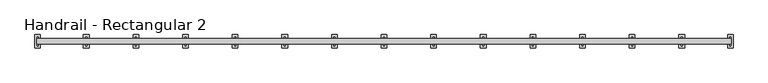
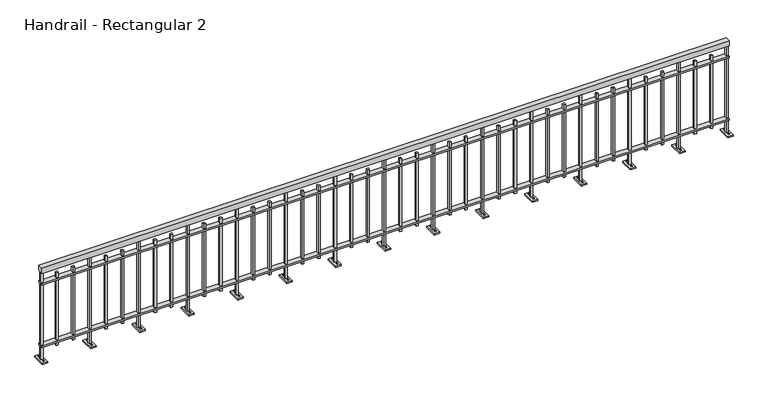
"""IFC4 building model written with IfcOpenShell, lengths in millimetres: railing geometry, Handrail - Rectangular 2."""

from ifc_helpers import new_model, si_unit, frame, origin, place, context, project, spatial, polyline, outline, extrude, faceted_brep, source, transform, mapped, element, save


def handrail_rectangular_2_60fde7db(model_context):
    return source(origin(), model_context, "Body", "SolidModel", [
        extrude(outline(polyline([(-7686.6907064, -3878.2727368), (-7686.6907064, -3827.4727368), (-1336.6907064, -3827.4727368), (-1336.6907064, -3878.2727368), (-7686.6907064, -3878.2727368)])), frame((0.0, 0.0, 863.6), z_axis=(0.0, 0.0, 1.0), x_axis=(1.0, 0.0, 0.0)), (0.0, 0.0, 1.0), 50.8),
        extrude(outline(polyline([(-7686.6907064, -3878.2727368), (-7686.6907064, -3827.4727368), (-1336.6907064, -3827.4727368), (-1336.6907064, -3878.2727368), (-7686.6907064, -3878.2727368)])), frame((0.0, 0.0, 749.3), z_axis=(0.0, 0.0, 1.0), x_axis=(1.0, 0.0, 0.0)), (0.0, 0.0, 1.0), 12.7),
        extrude(outline(polyline([(-7686.6907064, -3878.2727368), (-7686.6907064, -3827.4727368), (-1336.6907064, -3827.4727368), (-1336.6907064, -3878.2727368), (-7686.6907064, -3878.2727368)])), frame((0.0, 0.0, 139.7), z_axis=(0.0, 0.0, 1.0), x_axis=(1.0, 0.0, 0.0)), (0.0, 0.0, 1.0), 12.7),
        extrude(outline(polyline([(-1497.4061826, -3862.3977368), (-1497.4061826, -3843.3477368), (-1478.3561826, -3843.3477368), (-1478.3561826, -3862.3977368), (-1497.4061826, -3862.3977368)])), frame((0.0, 0.0, 101.6), z_axis=(0.0, 0.0, 1.0), x_axis=(1.0, 0.0, 0.0)), (0.0, 0.0, 1.0), 711.2),
        extrude(outline(polyline([(-1648.5966588, -3862.3977368), (-1648.5966588, -3843.3477368), (-1629.5466588, -3843.3477368), (-1629.5466588, -3862.3977368), (-1648.5966588, -3862.3977368)])), frame((0.0, 0.0, 101.6), z_axis=(0.0, 0.0, 1.0), x_axis=(1.0, 0.0, 0.0)), (0.0, 0.0, 1.0), 711.2),
        faceted_brep([(-1815.662135, -3792.5477368, 0.0), (-1764.862135, -3792.5477368, 0.0), (-1764.862135, -3913.1977368, 0.0), (-1815.662135, -3913.1977368, 0.0), (-1799.787135, -3862.3977368, 863.6), (-1799.787135, -3843.3477368, 863.6), (-1799.787135, -3843.3477368, 12.7), (-1799.787135, -3862.3977368, 12.7), (-1780.737135, -3862.3977368, 863.6), (-1780.737135, -3862.3977368, 12.7), (-1780.737135, -3843.3477368, 863.6), (-1780.737135, -3843.3477368, 12.7), (-1815.662135, -3792.5477368, 12.7), (-1815.662135, -3913.1977368, 12.7), (-1764.862135, -3913.1977368, 12.7), (-1764.862135, -3792.5477368, 12.7)], [[[0, 1, 2, 3]], [[4, 5, 6, 7]], [[8, 4, 7, 9]], [[10, 8, 9, 11]], [[5, 10, 11, 6]], [[5, 4, 8, 10]], [[12, 13, 14, 15], [7, 6, 11, 9]], [[13, 12, 0, 3]], [[14, 13, 3, 2]], [[15, 14, 2, 1]], [[12, 15, 1, 0]]]),
        extrude(outline(polyline([(-1797.5944834, -3887.7977368), (-1793.9283092, -3881.4477368), (-1786.5959608, -3881.4477368), (-1782.9297865, -3887.7977368), (-1786.5959608, -3894.1477368), (-1793.9283092, -3894.1477368), (-1797.5944834, -3887.7977368)])), frame((0.0, 0.0, 12.7), z_axis=(0.0, 0.0, 1.0), x_axis=(1.0, 0.0, 0.0)), (0.0, 0.0, 1.0), 6.35),
        extrude(outline(polyline([(-1797.5944834, -3817.9477368), (-1793.9283092, -3811.5977368), (-1786.5959608, -3811.5977368), (-1782.9297865, -3817.9477368), (-1786.5959608, -3824.2977368), (-1793.9283092, -3824.2977368), (-1797.5944834, -3817.9477368)])), frame((0.0, 0.0, 12.7), z_axis=(0.0, 0.0, 1.0), x_axis=(1.0, 0.0, 0.0)), (0.0, 0.0, 1.0), 6.35),
        extrude(outline(polyline([(-1950.9776112, -3862.3977368), (-1950.9776112, -3843.3477368), (-1931.9276112, -3843.3477368), (-1931.9276112, -3862.3977368), (-1950.9776112, -3862.3977368)])), frame((0.0, 0.0, 101.6), z_axis=(0.0, 0.0, 1.0), x_axis=(1.0, 0.0, 0.0)), (0.0, 0.0, 1.0), 711.2),
        extrude(outline(polyline([(-2102.1680873, -3862.3977368), (-2102.1680873, -3843.3477368), (-2083.1180873, -3843.3477368), (-2083.1180873, -3862.3977368), (-2102.1680873, -3862.3977368)])), frame((0.0, 0.0, 101.6), z_axis=(0.0, 0.0, 1.0), x_axis=(1.0, 0.0, 0.0)), (0.0, 0.0, 1.0), 711.2),
        faceted_brep([(-2269.2335635, -3792.5477368, 0.0), (-2218.4335635, -3792.5477368, 0.0), (-2218.4335635, -3913.1977368, 0.0), (-2269.2335635, -3913.1977368, 0.0), (-2253.3585635, -3862.3977368, 863.6), (-2253.3585635, -3843.3477368, 863.6), (-2253.3585635, -3843.3477368, 12.7), (-2253.3585635, -3862.3977368, 12.7), (-2234.3085635, -3862.3977368, 863.6), (-2234.3085635, -3862.3977368, 12.7), (-2234.3085635, -3843.3477368, 863.6), (-2234.3085635, -3843.3477368, 12.7), (-2269.2335635, -3792.5477368, 12.7), (-2269.2335635, -3913.1977368, 12.7), (-2218.4335635, -3913.1977368, 12.7), (-2218.4335635, -3792.5477368, 12.7)], [[[0, 1, 2, 3]], [[4, 5, 6, 7]], [[8, 4, 7, 9]], [[10, 8, 9, 11]], [[5, 10, 11, 6]], [[5, 4, 8, 10]], [[12, 13, 14, 15], [7, 6, 11, 9]], [[13, 12, 0, 3]], [[14, 13, 3, 2]], [[15, 14, 2, 1]], [[12, 15, 1, 0]]]),
        extrude(outline(polyline([(-2251.165912, -3887.7977368), (-2247.4997377, -3881.4477368), (-2240.1673893, -3881.4477368), (-2236.5012151, -3887.7977368), (-2240.1673893, -3894.1477368), (-2247.4997377, -3894.1477368), (-2251.165912, -3887.7977368)])), frame((0.0, 0.0, 12.7), z_axis=(0.0, 0.0, 1.0), x_axis=(1.0, 0.0, 0.0)), (0.0, 0.0, 1.0), 6.35),
        extrude(outline(polyline([(-2251.165912, -3817.9477368), (-2247.4997377, -3811.5977368), (-2240.1673893, -3811.5977368), (-2236.5012151, -3817.9477368), (-2240.1673893, -3824.2977368), (-2247.4997377, -3824.2977368), (-2251.165912, -3817.9477368)])), frame((0.0, 0.0, 12.7), z_axis=(0.0, 0.0, 1.0), x_axis=(1.0, 0.0, 0.0)), (0.0, 0.0, 1.0), 6.35),
        extrude(outline(polyline([(-2404.5490397, -3862.3977368), (-2404.5490397, -3843.3477368), (-2385.4990397, -3843.3477368), (-2385.4990397, -3862.3977368), (-2404.5490397, -3862.3977368)])), frame((0.0, 0.0, 101.6), z_axis=(0.0, 0.0, 1.0), x_axis=(1.0, 0.0, 0.0)), (0.0, 0.0, 1.0), 711.2),
        extrude(outline(polyline([(-2555.7395159, -3862.3977368), (-2555.7395159, -3843.3477368), (-2536.6895159, -3843.3477368), (-2536.6895159, -3862.3977368), (-2555.7395159, -3862.3977368)])), frame((0.0, 0.0, 101.6), z_axis=(0.0, 0.0, 1.0), x_axis=(1.0, 0.0, 0.0)), (0.0, 0.0, 1.0), 711.2),
        faceted_brep([(-2722.8049921, -3792.5477368, 0.0), (-2672.0049921, -3792.5477368, 0.0), (-2672.0049921, -3913.1977368, 0.0), (-2722.8049921, -3913.1977368, 0.0), (-2706.9299921, -3862.3977368, 863.6), (-2706.9299921, -3843.3477368, 863.6), (-2706.9299921, -3843.3477368, 12.7), (-2706.9299921, -3862.3977368, 12.7), (-2687.8799921, -3862.3977368, 863.6), (-2687.8799921, -3862.3977368, 12.7), (-2687.8799921, -3843.3477368, 863.6), (-2687.8799921, -3843.3477368, 12.7), (-2722.8049921, -3792.5477368, 12.7), (-2722.8049921, -3913.1977368, 12.7), (-2672.0049921, -3913.1977368, 12.7), (-2672.0049921, -3792.5477368, 12.7)], [[[0, 1, 2, 3]], [[4, 5, 6, 7]], [[8, 4, 7, 9]], [[10, 8, 9, 11]], [[5, 10, 11, 6]], [[5, 4, 8, 10]], [[12, 13, 14, 15], [7, 6, 11, 9]], [[13, 12, 0, 3]], [[14, 13, 3, 2]], [[15, 14, 2, 1]], [[12, 15, 1, 0]]]),
        extrude(outline(polyline([(-2704.7373405, -3887.7977368), (-2701.0711663, -3881.4477368), (-2693.7388179, -3881.4477368), (-2690.0726437, -3887.7977368), (-2693.7388179, -3894.1477368), (-2701.0711663, -3894.1477368), (-2704.7373405, -3887.7977368)])), frame((0.0, 0.0, 12.7), z_axis=(0.0, 0.0, 1.0), x_axis=(1.0, 0.0, 0.0)), (0.0, 0.0, 1.0), 6.35),
        extrude(outline(polyline([(-2704.7373405, -3817.9477368), (-2701.0711663, -3811.5977368), (-2693.7388179, -3811.5977368), (-2690.0726437, -3817.9477368), (-2693.7388179, -3824.2977368), (-2701.0711663, -3824.2977368), (-2704.7373405, -3817.9477368)])), frame((0.0, 0.0, 12.7), z_axis=(0.0, 0.0, 1.0), x_axis=(1.0, 0.0, 0.0)), (0.0, 0.0, 1.0), 6.35),
        extrude(outline(polyline([(-2858.1204683, -3862.3977368), (-2858.1204683, -3843.3477368), (-2839.0704683, -3843.3477368), (-2839.0704683, -3862.3977368), (-2858.1204683, -3862.3977368)])), frame((0.0, 0.0, 101.6), z_axis=(0.0, 0.0, 1.0), x_axis=(1.0, 0.0, 0.0)), (0.0, 0.0, 1.0), 711.2),
        extrude(outline(polyline([(-3009.3109445, -3862.3977368), (-3009.3109445, -3843.3477368), (-2990.2609445, -3843.3477368), (-2990.2609445, -3862.3977368), (-3009.3109445, -3862.3977368)])), frame((0.0, 0.0, 101.6), z_axis=(0.0, 0.0, 1.0), x_axis=(1.0, 0.0, 0.0)), (0.0, 0.0, 1.0), 711.2),
        faceted_brep([(-3176.3764207, -3792.5477368, 0.0), (-3125.5764207, -3792.5477368, 0.0), (-3125.5764207, -3913.1977368, 0.0), (-3176.3764207, -3913.1977368, 0.0), (-3160.5014207, -3862.3977368, 863.6), (-3160.5014207, -3843.3477368, 863.6), (-3160.5014207, -3843.3477368, 12.7), (-3160.5014207, -3862.3977368, 12.7), (-3141.4514207, -3862.3977368, 863.6), (-3141.4514207, -3862.3977368, 12.7), (-3141.4514207, -3843.3477368, 863.6), (-3141.4514207, -3843.3477368, 12.7), (-3176.3764207, -3792.5477368, 12.7), (-3176.3764207, -3913.1977368, 12.7), (-3125.5764207, -3913.1977368, 12.7), (-3125.5764207, -3792.5477368, 12.7)], [[[0, 1, 2, 3]], [[4, 5, 6, 7]], [[8, 4, 7, 9]], [[10, 8, 9, 11]], [[5, 10, 11, 6]], [[5, 4, 8, 10]], [[12, 13, 14, 15], [7, 6, 11, 9]], [[13, 12, 0, 3]], [[14, 13, 3, 2]], [[15, 14, 2, 1]], [[12, 15, 1, 0]]]),
        extrude(outline(polyline([(-3158.3087691, -3887.7977368), (-3154.6425949, -3881.4477368), (-3147.3102465, -3881.4477368), (-3143.6440723, -3887.7977368), (-3147.3102465, -3894.1477368), (-3154.6425949, -3894.1477368), (-3158.3087691, -3887.7977368)])), frame((0.0, 0.0, 12.7), z_axis=(0.0, 0.0, 1.0), x_axis=(1.0, 0.0, 0.0)), (0.0, 0.0, 1.0), 6.35),
        extrude(outline(polyline([(-3158.3087691, -3817.9477368), (-3154.6425949, -3811.5977368), (-3147.3102465, -3811.5977368), (-3143.6440723, -3817.9477368), (-3147.3102465, -3824.2977368), (-3154.6425949, -3824.2977368), (-3158.3087691, -3817.9477368)])), frame((0.0, 0.0, 12.7), z_axis=(0.0, 0.0, 1.0), x_axis=(1.0, 0.0, 0.0)), (0.0, 0.0, 1.0), 6.35),
        extrude(outline(polyline([(-3311.6918969, -3862.3977368), (-3311.6918969, -3843.3477368), (-3292.6418969, -3843.3477368), (-3292.6418969, -3862.3977368), (-3311.6918969, -3862.3977368)])), frame((0.0, 0.0, 101.6), z_axis=(0.0, 0.0, 1.0), x_axis=(1.0, 0.0, 0.0)), (0.0, 0.0, 1.0), 711.2),
        extrude(outline(polyline([(-3462.8823731, -3862.3977368), (-3462.8823731, -3843.3477368), (-3443.8323731, -3843.3477368), (-3443.8323731, -3862.3977368), (-3462.8823731, -3862.3977368)])), frame((0.0, 0.0, 101.6), z_axis=(0.0, 0.0, 1.0), x_axis=(1.0, 0.0, 0.0)), (0.0, 0.0, 1.0), 711.2),
        faceted_brep([(-3629.9478493, -3792.5477368, 0.0), (-3579.1478493, -3792.5477368, 0.0), (-3579.1478493, -3913.1977368, 0.0), (-3629.9478493, -3913.1977368, 0.0), (-3614.0728493, -3862.3977368, 863.6), (-3614.0728493, -3843.3477368, 863.6), (-3614.0728493, -3843.3477368, 12.7), (-3614.0728493, -3862.3977368, 12.7), (-3595.0228493, -3862.3977368, 863.6), (-3595.0228493, -3862.3977368, 12.7), (-3595.0228493, -3843.3477368, 863.6), (-3595.0228493, -3843.3477368, 12.7), (-3629.9478493, -3792.5477368, 12.7), (-3629.9478493, -3913.1977368, 12.7), (-3579.1478493, -3913.1977368, 12.7), (-3579.1478493, -3792.5477368, 12.7)], [[[0, 1, 2, 3]], [[4, 5, 6, 7]], [[8, 4, 7, 9]], [[10, 8, 9, 11]], [[5, 10, 11, 6]], [[5, 4, 8, 10]], [[12, 13, 14, 15], [7, 6, 11, 9]], [[13, 12, 0, 3]], [[14, 13, 3, 2]], [[15, 14, 2, 1]], [[12, 15, 1, 0]]]),
        extrude(outline(polyline([(-3611.8801977, -3887.7977368), (-3608.2140235, -3881.4477368), (-3600.881675, -3881.4477368), (-3597.2155008, -3887.7977368), (-3600.881675, -3894.1477368), (-3608.2140235, -3894.1477368), (-3611.8801977, -3887.7977368)])), frame((0.0, 0.0, 12.7), z_axis=(0.0, 0.0, 1.0), x_axis=(1.0, 0.0, 0.0)), (0.0, 0.0, 1.0), 6.35),
        extrude(outline(polyline([(-3611.8801977, -3817.9477368), (-3608.2140235, -3811.5977368), (-3600.881675, -3811.5977368), (-3597.2155008, -3817.9477368), (-3600.881675, -3824.2977368), (-3608.2140235, -3824.2977368), (-3611.8801977, -3817.9477368)])), frame((0.0, 0.0, 12.7), z_axis=(0.0, 0.0, 1.0), x_axis=(1.0, 0.0, 0.0)), (0.0, 0.0, 1.0), 6.35),
        extrude(outline(polyline([(-3765.2633254, -3862.3977368), (-3765.2633254, -3843.3477368), (-3746.2133254, -3843.3477368), (-3746.2133254, -3862.3977368), (-3765.2633254, -3862.3977368)])), frame((0.0, 0.0, 101.6), z_axis=(0.0, 0.0, 1.0), x_axis=(1.0, 0.0, 0.0)), (0.0, 0.0, 1.0), 711.2),
        extrude(outline(polyline([(-3916.4538016, -3862.3977368), (-3916.4538016, -3843.3477368), (-3897.4038016, -3843.3477368), (-3897.4038016, -3862.3977368), (-3916.4538016, -3862.3977368)])), frame((0.0, 0.0, 101.6), z_axis=(0.0, 0.0, 1.0), x_axis=(1.0, 0.0, 0.0)), (0.0, 0.0, 1.0), 711.2),
        faceted_brep([(-4083.5192778, -3792.5477368, 0.0), (-4032.7192778, -3792.5477368, 0.0), (-4032.7192778, -3913.1977368, 0.0), (-4083.5192778, -3913.1977368, 0.0), (-4067.6442778, -3862.3977368, 863.6), (-4067.6442778, -3843.3477368, 863.6), (-4067.6442778, -3843.3477368, 12.7), (-4067.6442778, -3862.3977368, 12.7), (-4048.5942778, -3862.3977368, 863.6), (-4048.5942778, -3862.3977368, 12.7), (-4048.5942778, -3843.3477368, 863.6), (-4048.5942778, -3843.3477368, 12.7), (-4083.5192778, -3792.5477368, 12.7), (-4083.5192778, -3913.1977368, 12.7), (-4032.7192778, -3913.1977368, 12.7), (-4032.7192778, -3792.5477368, 12.7)], [[[0, 1, 2, 3]], [[4, 5, 6, 7]], [[8, 4, 7, 9]], [[10, 8, 9, 11]], [[5, 10, 11, 6]], [[5, 4, 8, 10]], [[12, 13, 14, 15], [7, 6, 11, 9]], [[13, 12, 0, 3]], [[14, 13, 3, 2]], [[15, 14, 2, 1]], [[12, 15, 1, 0]]]),
        extrude(outline(polyline([(-4065.4516262, -3887.7977368), (-4061.785452, -3881.4477368), (-4054.4531036, -3881.4477368), (-4050.7869294, -3887.7977368), (-4054.4531036, -3894.1477368), (-4061.785452, -3894.1477368), (-4065.4516262, -3887.7977368)])), frame((0.0, 0.0, 12.7), z_axis=(0.0, 0.0, 1.0), x_axis=(1.0, 0.0, 0.0)), (0.0, 0.0, 1.0), 6.35),
        extrude(outline(polyline([(-4065.4516262, -3817.9477368), (-4061.785452, -3811.5977368), (-4054.4531036, -3811.5977368), (-4050.7869294, -3817.9477368), (-4054.4531036, -3824.2977368), (-4061.785452, -3824.2977368), (-4065.4516262, -3817.9477368)])), frame((0.0, 0.0, 12.7), z_axis=(0.0, 0.0, 1.0), x_axis=(1.0, 0.0, 0.0)), (0.0, 0.0, 1.0), 6.35),
        extrude(outline(polyline([(-4218.834754, -3862.3977368), (-4218.834754, -3843.3477368), (-4199.784754, -3843.3477368), (-4199.784754, -3862.3977368), (-4218.834754, -3862.3977368)])), frame((0.0, 0.0, 101.6), z_axis=(0.0, 0.0, 1.0), x_axis=(1.0, 0.0, 0.0)), (0.0, 0.0, 1.0), 711.2),
        extrude(outline(polyline([(-4370.0252302, -3862.3977368), (-4370.0252302, -3843.3477368), (-4350.9752302, -3843.3477368), (-4350.9752302, -3862.3977368), (-4370.0252302, -3862.3977368)])), frame((0.0, 0.0, 101.6), z_axis=(0.0, 0.0, 1.0), x_axis=(1.0, 0.0, 0.0)), (0.0, 0.0, 1.0), 711.2),
        faceted_brep([(-4537.0907064, -3792.5477368, 0.0), (-4486.2907064, -3792.5477368, 0.0), (-4486.2907064, -3913.1977368, 0.0), (-4537.0907064, -3913.1977368, 0.0), (-4521.2157064, -3862.3977368, 863.6), (-4521.2157064, -3843.3477368, 863.6), (-4521.2157064, -3843.3477368, 12.7), (-4521.2157064, -3862.3977368, 12.7), (-4502.1657064, -3862.3977368, 863.6), (-4502.1657064, -3862.3977368, 12.7), (-4502.1657064, -3843.3477368, 863.6), (-4502.1657064, -3843.3477368, 12.7), (-4537.0907064, -3792.5477368, 12.7), (-4537.0907064, -3913.1977368, 12.7), (-4486.2907064, -3913.1977368, 12.7), (-4486.2907064, -3792.5477368, 12.7)], [[[0, 1, 2, 3]], [[4, 5, 6, 7]], [[8, 4, 7, 9]], [[10, 8, 9, 11]], [[5, 10, 11, 6]], [[5, 4, 8, 10]], [[12, 13, 14, 15], [7, 6, 11, 9]], [[13, 12, 0, 3]], [[14, 13, 3, 2]], [[15, 14, 2, 1]], [[12, 15, 1, 0]]]),
        extrude(outline(polyline([(-4519.0230548, -3887.7977368), (-4515.3568806, -3881.4477368), (-4508.0245322, -3881.4477368), (-4504.358358, -3887.7977368), (-4508.0245322, -3894.1477368), (-4515.3568806, -3894.1477368), (-4519.0230548, -3887.7977368)])), frame((0.0, 0.0, 12.7), z_axis=(0.0, 0.0, 1.0), x_axis=(1.0, 0.0, 0.0)), (0.0, 0.0, 1.0), 6.35),
        extrude(outline(polyline([(-4519.0230548, -3817.9477368), (-4515.3568806, -3811.5977368), (-4508.0245322, -3811.5977368), (-4504.358358, -3817.9477368), (-4508.0245322, -3824.2977368), (-4515.3568806, -3824.2977368), (-4519.0230548, -3817.9477368)])), frame((0.0, 0.0, 12.7), z_axis=(0.0, 0.0, 1.0), x_axis=(1.0, 0.0, 0.0)), (0.0, 0.0, 1.0), 6.35),
        extrude(outline(polyline([(-4672.4061826, -3862.3977368), (-4672.4061826, -3843.3477368), (-4653.3561826, -3843.3477368), (-4653.3561826, -3862.3977368), (-4672.4061826, -3862.3977368)])), frame((0.0, 0.0, 101.6), z_axis=(0.0, 0.0, 1.0), x_axis=(1.0, 0.0, 0.0)), (0.0, 0.0, 1.0), 711.2),
        extrude(outline(polyline([(-4823.5966588, -3862.3977368), (-4823.5966588, -3843.3477368), (-4804.5466588, -3843.3477368), (-4804.5466588, -3862.3977368), (-4823.5966588, -3862.3977368)])), frame((0.0, 0.0, 101.6), z_axis=(0.0, 0.0, 1.0), x_axis=(1.0, 0.0, 0.0)), (0.0, 0.0, 1.0), 711.2),
        faceted_brep([(-4990.662135, -3792.5477368, 0.0), (-4939.862135, -3792.5477368, 0.0), (-4939.862135, -3913.1977368, 0.0), (-4990.662135, -3913.1977368, 0.0), (-4974.787135, -3862.3977368, 863.6), (-4974.787135, -3843.3477368, 863.6), (-4974.787135, -3843.3477368, 12.7), (-4974.787135, -3862.3977368, 12.7), (-4955.737135, -3862.3977368, 863.6), (-4955.737135, -3862.3977368, 12.7), (-4955.737135, -3843.3477368, 863.6), (-4955.737135, -3843.3477368, 12.7), (-4990.662135, -3792.5477368, 12.7), (-4990.662135, -3913.1977368, 12.7), (-4939.862135, -3913.1977368, 12.7), (-4939.862135, -3792.5477368, 12.7)], [[[0, 1, 2, 3]], [[4, 5, 6, 7]], [[8, 4, 7, 9]], [[10, 8, 9, 11]], [[5, 10, 11, 6]], [[5, 4, 8, 10]], [[12, 13, 14, 15], [7, 6, 11, 9]], [[13, 12, 0, 3]], [[14, 13, 3, 2]], [[15, 14, 2, 1]], [[12, 15, 1, 0]]]),
        extrude(outline(polyline([(-4972.5944834, -3887.7977368), (-4968.9283092, -3881.4477368), (-4961.5959608, -3881.4477368), (-4957.9297865, -3887.7977368), (-4961.5959608, -3894.1477368), (-4968.9283092, -3894.1477368), (-4972.5944834, -3887.7977368)])), frame((0.0, 0.0, 12.7), z_axis=(0.0, 0.0, 1.0), x_axis=(1.0, 0.0, 0.0)), (0.0, 0.0, 1.0), 6.35),
        extrude(outline(polyline([(-4972.5944834, -3817.9477368), (-4968.9283092, -3811.5977368), (-4961.5959608, -3811.5977368), (-4957.9297865, -3817.9477368), (-4961.5959608, -3824.2977368), (-4968.9283092, -3824.2977368), (-4972.5944834, -3817.9477368)])), frame((0.0, 0.0, 12.7), z_axis=(0.0, 0.0, 1.0), x_axis=(1.0, 0.0, 0.0)), (0.0, 0.0, 1.0), 6.35),
        extrude(outline(polyline([(-5125.9776112, -3862.3977368), (-5125.9776112, -3843.3477368), (-5106.9276112, -3843.3477368), (-5106.9276112, -3862.3977368), (-5125.9776112, -3862.3977368)])), frame((0.0, 0.0, 101.6), z_axis=(0.0, 0.0, 1.0), x_axis=(1.0, 0.0, 0.0)), (0.0, 0.0, 1.0), 711.2),
        extrude(outline(polyline([(-5277.1680873, -3862.3977368), (-5277.1680873, -3843.3477368), (-5258.1180873, -3843.3477368), (-5258.1180873, -3862.3977368), (-5277.1680873, -3862.3977368)])), frame((0.0, 0.0, 101.6), z_axis=(0.0, 0.0, 1.0), x_axis=(1.0, 0.0, 0.0)), (0.0, 0.0, 1.0), 711.2),
        faceted_brep([(-5444.2335635, -3792.5477368, 0.0), (-5393.4335635, -3792.5477368, 0.0), (-5393.4335635, -3913.1977368, 0.0), (-5444.2335635, -3913.1977368, 0.0), (-5428.3585635, -3862.3977368, 863.6), (-5428.3585635, -3843.3477368, 863.6), (-5428.3585635, -3843.3477368, 12.7), (-5428.3585635, -3862.3977368, 12.7), (-5409.3085635, -3862.3977368, 863.6), (-5409.3085635, -3862.3977368, 12.7), (-5409.3085635, -3843.3477368, 863.6), (-5409.3085635, -3843.3477368, 12.7), (-5444.2335635, -3792.5477368, 12.7), (-5444.2335635, -3913.1977368, 12.7), (-5393.4335635, -3913.1977368, 12.7), (-5393.4335635, -3792.5477368, 12.7)], [[[0, 1, 2, 3]], [[4, 5, 6, 7]], [[8, 4, 7, 9]], [[10, 8, 9, 11]], [[5, 10, 11, 6]], [[5, 4, 8, 10]], [[12, 13, 14, 15], [7, 6, 11, 9]], [[13, 12, 0, 3]], [[14, 13, 3, 2]], [[15, 14, 2, 1]], [[12, 15, 1, 0]]]),
        extrude(outline(polyline([(-5426.165912, -3887.7977368), (-5422.4997377, -3881.4477368), (-5415.1673893, -3881.4477368), (-5411.5012151, -3887.7977368), (-5415.1673893, -3894.1477368), (-5422.4997377, -3894.1477368), (-5426.165912, -3887.7977368)])), frame((0.0, 0.0, 12.7), z_axis=(0.0, 0.0, 1.0), x_axis=(1.0, 0.0, 0.0)), (0.0, 0.0, 1.0), 6.35),
        extrude(outline(polyline([(-5426.165912, -3817.9477368), (-5422.4997377, -3811.5977368), (-5415.1673893, -3811.5977368), (-5411.5012151, -3817.9477368), (-5415.1673893, -3824.2977368), (-5422.4997377, -3824.2977368), (-5426.165912, -3817.9477368)])), frame((0.0, 0.0, 12.7), z_axis=(0.0, 0.0, 1.0), x_axis=(1.0, 0.0, 0.0)), (0.0, 0.0, 1.0), 6.35),
        extrude(outline(polyline([(-5579.5490397, -3862.3977368), (-5579.5490397, -3843.3477368), (-5560.4990397, -3843.3477368), (-5560.4990397, -3862.3977368), (-5579.5490397, -3862.3977368)])), frame((0.0, 0.0, 101.6), z_axis=(0.0, 0.0, 1.0), x_axis=(1.0, 0.0, 0.0)), (0.0, 0.0, 1.0), 711.2),
        extrude(outline(polyline([(-5730.7395159, -3862.3977368), (-5730.7395159, -3843.3477368), (-5711.6895159, -3843.3477368), (-5711.6895159, -3862.3977368), (-5730.7395159, -3862.3977368)])), frame((0.0, 0.0, 101.6), z_axis=(0.0, 0.0, 1.0), x_axis=(1.0, 0.0, 0.0)), (0.0, 0.0, 1.0), 711.2),
        faceted_brep([(-5897.8049921, -3792.5477368, 0.0), (-5847.0049921, -3792.5477368, 0.0), (-5847.0049921, -3913.1977368, 0.0), (-5897.8049921, -3913.1977368, 0.0), (-5881.9299921, -3862.3977368, 863.6), (-5881.9299921, -3843.3477368, 863.6), (-5881.9299921, -3843.3477368, 12.7), (-5881.9299921, -3862.3977368, 12.7), (-5862.8799921, -3862.3977368, 863.6), (-5862.8799921, -3862.3977368, 12.7), (-5862.8799921, -3843.3477368, 863.6), (-5862.8799921, -3843.3477368, 12.7), (-5897.8049921, -3792.5477368, 12.7), (-5897.8049921, -3913.1977368, 12.7), (-5847.0049921, -3913.1977368, 12.7), (-5847.0049921, -3792.5477368, 12.7)], [[[0, 1, 2, 3]], [[4, 5, 6, 7]], [[8, 4, 7, 9]], [[10, 8, 9, 11]], [[5, 10, 11, 6]], [[5, 4, 8, 10]], [[12, 13, 14, 15], [7, 6, 11, 9]], [[13, 12, 0, 3]], [[14, 13, 3, 2]], [[15, 14, 2, 1]], [[12, 15, 1, 0]]]),
        extrude(outline(polyline([(-5879.7373405, -3887.7977368), (-5876.0711663, -3881.4477368), (-5868.7388179, -3881.4477368), (-5865.0726437, -3887.7977368), (-5868.7388179, -3894.1477368), (-5876.0711663, -3894.1477368), (-5879.7373405, -3887.7977368)])), frame((0.0, 0.0, 12.7), z_axis=(0.0, 0.0, 1.0), x_axis=(1.0, 0.0, 0.0)), (0.0, 0.0, 1.0), 6.35),
        extrude(outline(polyline([(-5879.7373405, -3817.9477368), (-5876.0711663, -3811.5977368), (-5868.7388179, -3811.5977368), (-5865.0726437, -3817.9477368), (-5868.7388179, -3824.2977368), (-5876.0711663, -3824.2977368), (-5879.7373405, -3817.9477368)])), frame((0.0, 0.0, 12.7), z_axis=(0.0, 0.0, 1.0), x_axis=(1.0, 0.0, 0.0)), (0.0, 0.0, 1.0), 6.35),
        extrude(outline(polyline([(-6033.1204683, -3862.3977368), (-6033.1204683, -3843.3477368), (-6014.0704683, -3843.3477368), (-6014.0704683, -3862.3977368), (-6033.1204683, -3862.3977368)])), frame((0.0, 0.0, 101.6), z_axis=(0.0, 0.0, 1.0), x_axis=(1.0, 0.0, 0.0)), (0.0, 0.0, 1.0), 711.2),
        extrude(outline(polyline([(-6184.3109445, -3862.3977368), (-6184.3109445, -3843.3477368), (-6165.2609445, -3843.3477368), (-6165.2609445, -3862.3977368), (-6184.3109445, -3862.3977368)])), frame((0.0, 0.0, 101.6), z_axis=(0.0, 0.0, 1.0), x_axis=(1.0, 0.0, 0.0)), (0.0, 0.0, 1.0), 711.2),
        faceted_brep([(-6351.3764207, -3792.5477368, 0.0), (-6300.5764207, -3792.5477368, 0.0), (-6300.5764207, -3913.1977368, 0.0), (-6351.3764207, -3913.1977368, 0.0), (-6335.5014207, -3862.3977368, 863.6), (-6335.5014207, -3843.3477368, 863.6), (-6335.5014207, -3843.3477368, 12.7), (-6335.5014207, -3862.3977368, 12.7), (-6316.4514207, -3862.3977368, 863.6), (-6316.4514207, -3862.3977368, 12.7), (-6316.4514207, -3843.3477368, 863.6), (-6316.4514207, -3843.3477368, 12.7), (-6351.3764207, -3792.5477368, 12.7), (-6351.3764207, -3913.1977368, 12.7), (-6300.5764207, -3913.1977368, 12.7), (-6300.5764207, -3792.5477368, 12.7)], [[[0, 1, 2, 3]], [[4, 5, 6, 7]], [[8, 4, 7, 9]], [[10, 8, 9, 11]], [[5, 10, 11, 6]], [[5, 4, 8, 10]], [[12, 13, 14, 15], [7, 6, 11, 9]], [[13, 12, 0, 3]], [[14, 13, 3, 2]], [[15, 14, 2, 1]], [[12, 15, 1, 0]]]),
        extrude(outline(polyline([(-6333.3087691, -3887.7977368), (-6329.6425949, -3881.4477368), (-6322.3102465, -3881.4477368), (-6318.6440723, -3887.7977368), (-6322.3102465, -3894.1477368), (-6329.6425949, -3894.1477368), (-6333.3087691, -3887.7977368)])), frame((0.0, 0.0, 12.7), z_axis=(0.0, 0.0, 1.0), x_axis=(1.0, 0.0, 0.0)), (0.0, 0.0, 1.0), 6.35),
        extrude(outline(polyline([(-6333.3087691, -3817.9477368), (-6329.6425949, -3811.5977368), (-6322.3102465, -3811.5977368), (-6318.6440723, -3817.9477368), (-6322.3102465, -3824.2977368), (-6329.6425949, -3824.2977368), (-6333.3087691, -3817.9477368)])), frame((0.0, 0.0, 12.7), z_axis=(0.0, 0.0, 1.0), x_axis=(1.0, 0.0, 0.0)), (0.0, 0.0, 1.0), 6.35),
        extrude(outline(polyline([(-6486.6918969, -3862.3977368), (-6486.6918969, -3843.3477368), (-6467.6418969, -3843.3477368), (-6467.6418969, -3862.3977368), (-6486.6918969, -3862.3977368)])), frame((0.0, 0.0, 101.6), z_axis=(0.0, 0.0, 1.0), x_axis=(1.0, 0.0, 0.0)), (0.0, 0.0, 1.0), 711.2),
        extrude(outline(polyline([(-6637.8823731, -3862.3977368), (-6637.8823731, -3843.3477368), (-6618.8323731, -3843.3477368), (-6618.8323731, -3862.3977368), (-6637.8823731, -3862.3977368)])), frame((0.0, 0.0, 101.6), z_axis=(0.0, 0.0, 1.0), x_axis=(1.0, 0.0, 0.0)), (0.0, 0.0, 1.0), 711.2),
        faceted_brep([(-6804.9478493, -3792.5477368, 0.0), (-6754.1478493, -3792.5477368, 0.0), (-6754.1478493, -3913.1977368, 0.0), (-6804.9478493, -3913.1977368, 0.0), (-6789.0728493, -3862.3977368, 863.6), (-6789.0728493, -3843.3477368, 863.6), (-6789.0728493, -3843.3477368, 12.7), (-6789.0728493, -3862.3977368, 12.7), (-6770.0228493, -3862.3977368, 863.6), (-6770.0228493, -3862.3977368, 12.7), (-6770.0228493, -3843.3477368, 863.6), (-6770.0228493, -3843.3477368, 12.7), (-6804.9478493, -3792.5477368, 12.7), (-6804.9478493, -3913.1977368, 12.7), (-6754.1478493, -3913.1977368, 12.7), (-6754.1478493, -3792.5477368, 12.7)], [[[0, 1, 2, 3]], [[4, 5, 6, 7]], [[8, 4, 7, 9]], [[10, 8, 9, 11]], [[5, 10, 11, 6]], [[5, 4, 8, 10]], [[12, 13, 14, 15], [7, 6, 11, 9]], [[13, 12, 0, 3]], [[14, 13, 3, 2]], [[15, 14, 2, 1]], [[12, 15, 1, 0]]]),
        extrude(outline(polyline([(-6786.8801977, -3887.7977368), (-6783.2140235, -3881.4477368), (-6775.881675, -3881.4477368), (-6772.2155008, -3887.7977368), (-6775.881675, -3894.1477368), (-6783.2140235, -3894.1477368), (-6786.8801977, -3887.7977368)])), frame((0.0, 0.0, 12.7), z_axis=(0.0, 0.0, 1.0), x_axis=(1.0, 0.0, 0.0)), (0.0, 0.0, 1.0), 6.35),
        extrude(outline(polyline([(-6786.8801977, -3817.9477368), (-6783.2140235, -3811.5977368), (-6775.881675, -3811.5977368), (-6772.2155008, -3817.9477368), (-6775.881675, -3824.2977368), (-6783.2140235, -3824.2977368), (-6786.8801977, -3817.9477368)])), frame((0.0, 0.0, 12.7), z_axis=(0.0, 0.0, 1.0), x_axis=(1.0, 0.0, 0.0)), (0.0, 0.0, 1.0), 6.35),
        extrude(outline(polyline([(-6940.2633254, -3862.3977368), (-6940.2633254, -3843.3477368), (-6921.2133254, -3843.3477368), (-6921.2133254, -3862.3977368), (-6940.2633254, -3862.3977368)])), frame((0.0, 0.0, 101.6), z_axis=(0.0, 0.0, 1.0), x_axis=(1.0, 0.0, 0.0)), (0.0, 0.0, 1.0), 711.2),
        extrude(outline(polyline([(-7091.4538016, -3862.3977368), (-7091.4538016, -3843.3477368), (-7072.4038016, -3843.3477368), (-7072.4038016, -3862.3977368), (-7091.4538016, -3862.3977368)])), frame((0.0, 0.0, 101.6), z_axis=(0.0, 0.0, 1.0), x_axis=(1.0, 0.0, 0.0)), (0.0, 0.0, 1.0), 711.2),
        faceted_brep([(-7258.5192778, -3792.5477368, 0.0), (-7207.7192778, -3792.5477368, 0.0), (-7207.7192778, -3913.1977368, 0.0), (-7258.5192778, -3913.1977368, 0.0), (-7242.6442778, -3862.3977368, 863.6), (-7242.6442778, -3843.3477368, 863.6), (-7242.6442778, -3843.3477368, 12.7), (-7242.6442778, -3862.3977368, 12.7), (-7223.5942778, -3862.3977368, 863.6), (-7223.5942778, -3862.3977368, 12.7), (-7223.5942778, -3843.3477368, 863.6), (-7223.5942778, -3843.3477368, 12.7), (-7258.5192778, -3792.5477368, 12.7), (-7258.5192778, -3913.1977368, 12.7), (-7207.7192778, -3913.1977368, 12.7), (-7207.7192778, -3792.5477368, 12.7)], [[[0, 1, 2, 3]], [[4, 5, 6, 7]], [[8, 4, 7, 9]], [[10, 8, 9, 11]], [[5, 10, 11, 6]], [[5, 4, 8, 10]], [[12, 13, 14, 15], [7, 6, 11, 9]], [[13, 12, 0, 3]], [[14, 13, 3, 2]], [[15, 14, 2, 1]], [[12, 15, 1, 0]]]),
        extrude(outline(polyline([(-7240.4516262, -3887.7977368), (-7236.785452, -3881.4477368), (-7229.4531036, -3881.4477368), (-7225.7869294, -3887.7977368), (-7229.4531036, -3894.1477368), (-7236.785452, -3894.1477368), (-7240.4516262, -3887.7977368)])), frame((0.0, 0.0, 12.7), z_axis=(0.0, 0.0, 1.0), x_axis=(1.0, 0.0, 0.0)), (0.0, 0.0, 1.0), 6.35),
        extrude(outline(polyline([(-7240.4516262, -3817.9477368), (-7236.785452, -3811.5977368), (-7229.4531036, -3811.5977368), (-7225.7869294, -3817.9477368), (-7229.4531036, -3824.2977368), (-7236.785452, -3824.2977368), (-7240.4516262, -3817.9477368)])), frame((0.0, 0.0, 12.7), z_axis=(0.0, 0.0, 1.0), x_axis=(1.0, 0.0, 0.0)), (0.0, 0.0, 1.0), 6.35),
        extrude(outline(polyline([(-7393.834754, -3862.3977368), (-7393.834754, -3843.3477368), (-7374.784754, -3843.3477368), (-7374.784754, -3862.3977368), (-7393.834754, -3862.3977368)])), frame((0.0, 0.0, 101.6), z_axis=(0.0, 0.0, 1.0), x_axis=(1.0, 0.0, 0.0)), (0.0, 0.0, 1.0), 711.2),
        extrude(outline(polyline([(-7545.0252302, -3862.3977368), (-7545.0252302, -3843.3477368), (-7525.9752302, -3843.3477368), (-7525.9752302, -3862.3977368), (-7545.0252302, -3862.3977368)])), frame((0.0, 0.0, 101.6), z_axis=(0.0, 0.0, 1.0), x_axis=(1.0, 0.0, 0.0)), (0.0, 0.0, 1.0), 711.2),
        faceted_brep([(-1371.6157064, -3792.5477368, 0.0), (-1320.8157064, -3792.5477368, 0.0), (-1320.8157064, -3913.1977368, 0.0), (-1371.6157064, -3913.1977368, 0.0), (-1355.7407064, -3862.3977368, 863.6), (-1355.7407064, -3843.3477368, 863.6), (-1355.7407064, -3843.3477368, 12.7), (-1355.7407064, -3862.3977368, 12.7), (-1336.6907064, -3862.3977368, 863.6), (-1336.6907064, -3862.3977368, 12.7), (-1336.6907064, -3843.3477368, 863.6), (-1336.6907064, -3843.3477368, 12.7), (-1371.6157064, -3792.5477368, 12.7), (-1371.6157064, -3913.1977368, 12.7), (-1320.8157064, -3913.1977368, 12.7), (-1320.8157064, -3792.5477368, 12.7)], [[[0, 1, 2, 3]], [[4, 5, 6, 7]], [[8, 4, 7, 9]], [[10, 8, 9, 11]], [[5, 10, 11, 6]], [[5, 4, 8, 10]], [[12, 13, 14, 15], [7, 6, 11, 9]], [[13, 12, 0, 3]], [[14, 13, 3, 2]], [[15, 14, 2, 1]], [[12, 15, 1, 0]]]),
        extrude(outline(polyline([(-1353.5480548, -3887.7977368), (-1349.8818806, -3881.4477368), (-1342.5495322, -3881.4477368), (-1338.883358, -3887.7977368), (-1342.5495322, -3894.1477368), (-1349.8818806, -3894.1477368), (-1353.5480548, -3887.7977368)])), frame((0.0, 0.0, 12.7), z_axis=(0.0, 0.0, 1.0), x_axis=(1.0, 0.0, 0.0)), (0.0, 0.0, 1.0), 6.35),
        extrude(outline(polyline([(-1353.5480548, -3817.9477368), (-1349.8818806, -3811.5977368), (-1342.5495322, -3811.5977368), (-1338.883358, -3817.9477368), (-1342.5495322, -3824.2977368), (-1349.8818806, -3824.2977368), (-1353.5480548, -3817.9477368)])), frame((0.0, 0.0, 12.7), z_axis=(0.0, 0.0, 1.0), x_axis=(1.0, 0.0, 0.0)), (0.0, 0.0, 1.0), 6.35),
        faceted_brep([(-7702.5657064, -3792.5477368, 0.0), (-7651.7657064, -3792.5477368, 0.0), (-7651.7657064, -3913.1977368, 0.0), (-7702.5657064, -3913.1977368, 0.0), (-7686.6907064, -3862.3977368, 863.6), (-7686.6907064, -3843.3477368, 863.6), (-7686.6907064, -3843.3477368, 12.7), (-7686.6907064, -3862.3977368, 12.7), (-7667.6407064, -3862.3977368, 863.6), (-7667.6407064, -3862.3977368, 12.7), (-7667.6407064, -3843.3477368, 863.6), (-7667.6407064, -3843.3477368, 12.7), (-7702.5657064, -3792.5477368, 12.7), (-7702.5657064, -3913.1977368, 12.7), (-7651.7657064, -3913.1977368, 12.7), (-7651.7657064, -3792.5477368, 12.7)], [[[0, 1, 2, 3]], [[4, 5, 6, 7]], [[8, 4, 7, 9]], [[10, 8, 9, 11]], [[5, 10, 11, 6]], [[5, 4, 8, 10]], [[12, 13, 14, 15], [7, 6, 11, 9]], [[13, 12, 0, 3]], [[14, 13, 3, 2]], [[15, 14, 2, 1]], [[12, 15, 1, 0]]]),
        extrude(outline(polyline([(-7684.4980548, -3887.7977368), (-7680.8318806, -3881.4477368), (-7673.4995322, -3881.4477368), (-7669.833358, -3887.7977368), (-7673.4995322, -3894.1477368), (-7680.8318806, -3894.1477368), (-7684.4980548, -3887.7977368)])), frame((0.0, 0.0, 12.7), z_axis=(0.0, 0.0, 1.0), x_axis=(1.0, 0.0, 0.0)), (0.0, 0.0, 1.0), 6.35),
        extrude(outline(polyline([(-7684.4980548, -3817.9477368), (-7680.8318806, -3811.5977368), (-7673.4995322, -3811.5977368), (-7669.833358, -3817.9477368), (-7673.4995322, -3824.2977368), (-7680.8318806, -3824.2977368), (-7684.4980548, -3817.9477368)])), frame((0.0, 0.0, 12.7), z_axis=(0.0, 0.0, 1.0), x_axis=(1.0, 0.0, 0.0)), (0.0, 0.0, 1.0), 6.35),
    ])


if __name__ == "__main__":
    model = new_model("IFC4")
    model_context = context("Model", 3, world=origin())
    ifc_project = project(units=[si_unit("LENGTHUNIT", "METRE", prefix="MILLI")], contexts=[model_context])
    site = spatial("IfcSite", under=ifc_project)
    building = spatial("IfcBuilding", under=site)
    placement = place(None, origin())
    handrail_rectangular_2_shape = handrail_rectangular_2_60fde7db(model_context)
    element("IfcRailing", 1, ObjectType="Handrail - Rectangular 2", at=placement, inside=building, context=model_context, shape_type="MappedRepresentation", body=[
        mapped(handrail_rectangular_2_shape, transform((0.0, 0.0, 0.0), x_axis=(1.0, 0.0, 0.0), y_axis=(0.0, 1.0, 0.0), z_axis=(0.0, 0.0, 1.0))),
    ])
    save(model, "model.ifc")
